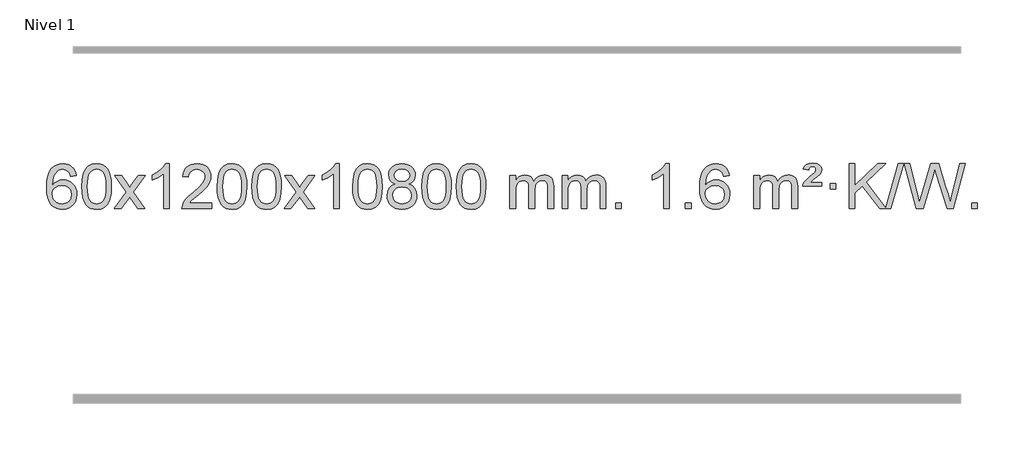
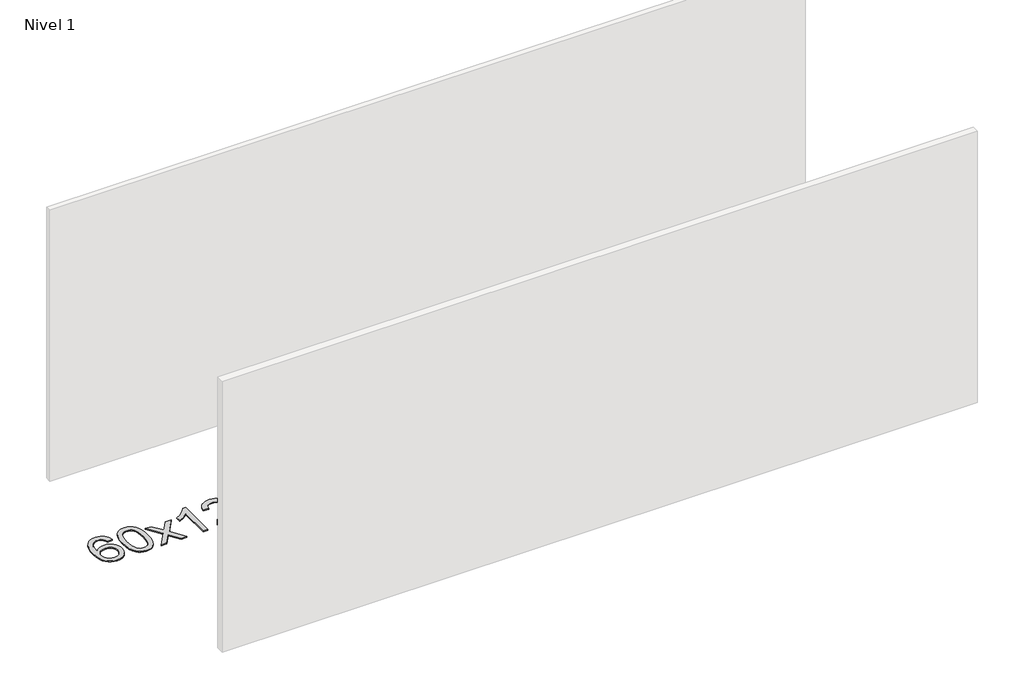
# One storey, part 8 of 8: 1 proxy.
"""IFC4 building model written with IfcOpenShell, lengths in millimetres."""

from ifc_helpers import new_model, si_unit, origin, origin_with_axes, place, context, project, spatial, polyline, outline, extrude, element, save

model = new_model("IFC4")

# Units and contexts
model_context = context("Model", 3, world=origin())
ifc_project = project(units=[si_unit("LENGTHUNIT", "METRE", prefix="MILLI")], contexts=[model_context])

# Site, building, storey
site = spatial("IfcSite", under=ifc_project)
building = spatial("IfcBuilding", under=site)
storey = spatial("IfcBuildingStorey", under=building, Name="Nivel 1", Elevation=0.0)

# Proxy
placement = place(None, origin())
element("IfcBuildingElementProxy", 1, Name="Texto de modelo 1", ObjectType="Texto de modelo 1", at=placement, inside=storey, context=model_context, shape_type="SweptSolid", body=[
    extrude(outline(polyline([(-206.3978655, -3100.4890419), (-256.6260206, -3106.7675613), (-264.7194245, -3081.874213), (-275.6577825, -3064.8780648), (-298.4419407, -3049.2062918), (-325.9840394, -3043.9823675), (-349.3322834, -3047.0235253), (-371.3071012, -3056.1469988), (-390.1794476, -3075.3627017), (-405.5937032, -3101.8134171), (-416.0047637, -3139.227016), (-419.8675246, -3191.3313693), (-399.719854, -3167.8237098), (-375.5745324, -3151.2567573), (-348.7804604, -3141.434308), (-320.6865387, -3138.1601582), (-296.5534798, -3140.398107), (-274.2843564, -3147.1119534), (-253.8791684, -3158.3016975), (-235.3379158, -3173.9673391), (-219.9297916, -3193.1769106), (-208.9239886, -3214.9984443), (-202.3205068, -3239.4319401), (-200.1193462, -3266.4773982), (-204.26415, -3302.4439945), (-216.6985614, -3335.786366), (-236.3925109, -3364.0642287), (-262.3159288, -3384.8372987), (-293.2915928, -3397.602804), (-328.1422805, -3401.8579724), (-358.0848092, -3399.0375437), (-385.1272015, -3390.5762579), (-409.2694575, -3376.4741147), (-430.511577, -3356.7311143), (-447.8296219, -3330.5133908), (-460.199654, -3296.9870783), (-467.6216733, -3256.1521768), (-470.0956797, -3208.0086864), (-467.3488274, -3154.0342663), (-459.1082708, -3107.9693092), (-445.3740096, -3069.8138149), (-426.146044, -3039.5677835), (-405.305529, -3019.5243462), (-381.1418132, -3005.2076052), (-353.6548968, -2996.6175606), (-322.8447797, -2993.7542124), (-299.7111336, -2995.5261773), (-278.7725167, -3000.8420722), (-260.0289291, -3009.7018969), (-243.4803707, -3022.1056515), (-229.5744312, -3037.6364031), (-218.7587006, -3055.8772186), (-211.0331787, -3076.8280983), (-206.3978655, -3100.4890419)]), holes=[polyline([(-419.8675246, -3265.6925832), (-416.9612568, -3287.9494439), (-408.2424536, -3309.2007605), (-394.7043961, -3327.472233), (-377.340366, -3340.7895612), (-356.383355, -3348.9197533), (-332.0663551, -3351.6298173), (-298.9201873, -3346.0134855), (-285.0050509, -3338.9930708), (-272.8618793, -3329.1644901), (-263.0118389, -3316.9262824), (-255.9760958, -3302.6769865), (-250.3475012, -3268.1451299), (-255.9025194, -3234.9989621), (-262.846292, -3221.3781312), (-272.5675737, -3209.725469), (-284.7475335, -3200.3904634), (-299.0673401, -3193.7226022), (-334.1264943, -3188.3883133), (-367.2236111, -3193.7226022), (-394.9005999, -3209.725469), (-405.8236294, -3221.2248471), (-413.6257934, -3234.3858254), (-418.3070918, -3249.2084042), (-419.8675246, -3265.6925832)])]), origin_with_axes(), (0.0, 0.0, 1.0), 10.0),
    extrude(outline(polyline([(-156.1697105, -3197.9041943), (-152.4786278, -3133.5861588), (-141.4053797, -3082.2911459), (-123.0603309, -3043.2343407), (-111.2022679, -3028.0009605), (-97.5538459, -3015.6309284), (-82.0690796, -3006.0598651), (-64.7019837, -2999.2233914), (-24.3208034, -2993.7542124), (6.6303351, -2996.991574), (34.3441121, -3006.7036586), (57.5206778, -3022.5103217), (74.8601825, -3044.0314184), (87.9567815, -3071.0830078), (98.4046302, -3103.4811488), (105.2472353, -3144.6226186), (107.5281037, -3197.9041943), (103.8738092, -3261.8543477), (92.9109257, -3313.0267333), (74.6762415, -3352.1203266), (62.8457697, -3367.3996922), (49.2065447, -3379.8341036), (33.7033843, -3389.4695462), (16.2811061, -3396.3520052), (-24.3208034, -3401.8579724), (-51.9855294, -3399.4667394), (-76.5109958, -3392.2930405), (-97.8972024, -3380.3368757), (-116.1441494, -3363.5982449), (-133.6553324, -3333.3399508), (-146.1633202, -3295.6381776), (-153.6681129, -3250.4929255), (-156.1697105, -3197.9041943)]), holes=[polyline([(-105.9415554, -3197.8060924), (-104.4700274, -3241.4706195), (-100.0554435, -3276.8148822), (-92.6978036, -3303.8388804), (-82.3971077, -3322.5426142), (-69.9381708, -3335.2682656), (-56.1058078, -3344.3580165), (-40.9000186, -3349.8118671), (-24.3208034, -3351.6298173), (-7.7415881, -3349.8057357), (7.464201, -3344.3334911), (21.296564, -3335.2130833), (33.7555009, -3322.4445124), (44.0561968, -3303.7101217), (51.4138367, -3276.6922549), (55.8284206, -3241.3909118), (57.2999486, -3197.8060924), (55.8774716, -3155.2973278), (51.6100404, -3120.5753989), (44.4976552, -3093.6403055), (34.5403158, -3074.4920476), (22.2898454, -3061.1440625), (8.2980668, -3051.6097875), (-7.4350198, -3045.8892225), (-24.9094146, -3043.9823675), (-41.4027907, -3045.6623619), (-56.3510624, -3050.7023452), (-69.7542298, -3059.1023175), (-81.6122928, -3070.8622786), (-92.2563452, -3091.708925), (-99.8592397, -3119.8151094), (-104.4209765, -3155.1808319), (-105.9415554, -3197.8060924)])]), origin_with_axes(), (0.0, 0.0, 1.0), 10.0),
    extrude(outline(polyline([(132.6421812, -3395.579453), (239.9656219, -3247.2494325), (138.9207006, -3100.4890419), (199.3514497, -3100.4890419), (248.1080768, -3171.122385), (270.8677095, -3204.4770192), (290.5861845, -3177.2047007), (346.1118403, -3100.4890419), (406.5425894, -3100.4890419), (300.396371, -3247.2494325), (402.6185147, -3395.579453), (342.1877657, -3395.579453), (280.6778961, -3306.4048574), (269.3961816, -3290.1199477), (193.0729303, -3395.579453), (132.6421812, -3395.579453)])), origin_with_axes(), (0.0, 0.0, 1.0), 10.0),
    extrude(outline(polyline([(622.3666932, -3395.579453), (572.1385381, -3395.579453), (572.1385381, -3082.4382987), (551.1692644, -3099.3976587), (524.5591334, -3116.3324932), (471.682228, -3141.6918254), (471.682228, -3094.2105225), (511.1314406, -3072.7507395), (545.3076779, -3047.219729), (572.2489027, -3020.0700378), (589.9930776, -2993.7542124), (622.3666932, -2993.7542124), (622.3666932, -3395.579453)])), origin_with_axes(), (0.0, 0.0, 1.0), 10.0),
    extrude(outline(polyline([(999.0778563, -3345.3512979), (999.0778563, -3395.579453), (735.3800421, -3395.579453), (736.4836881, -3377.8965918), (740.7756447, -3360.9494945), (753.1610052, -3333.8856424), (771.2853248, -3307.6311307), (797.5030484, -3280.1503456), (834.1686206, -3249.4076736), (888.3699012, -3201.2641831), (920.8906695, -3165.7267824), (937.1510537, -3136.884834), (942.5711818, -3108.8277005), (937.4576221, -3083.6768347), (922.1169429, -3062.7688747), (898.535707, -3048.6789943), (868.7004772, -3043.9823675), (837.3691939, -3048.5686297), (813.0276686, -3062.3274163), (797.3191074, -3084.1796068), (791.8867166, -3113.0460807), (741.6585615, -3106.7675613), (745.9781093, -3080.838012), (753.8354555, -3058.1826125), (765.2306003, -3038.8013627), (780.1635437, -3022.6942627), (798.290929, -3010.0329907), (819.2693997, -3000.989225), (843.098956, -2995.5629655), (869.7795977, -2993.7542124), (896.6993627, -2995.7653006), (920.6576776, -3001.7985654), (941.6545425, -3011.8540066), (959.6899573, -3025.9316242), (974.1753109, -3042.9890861), (984.521992, -3061.9840598), (990.7300007, -3082.9165453), (992.7993369, -3105.7865427), (990.5675194, -3129.8092369), (983.8720671, -3153.4149983), (971.9894787, -3177.4254299), (954.1962528, -3202.6621347), (925.832551, -3232.7916701), (882.2385346, -3271.4805933), (824.4565359, -3319.795762), (801.795005, -3345.3512979), (999.0778563, -3345.3512979)])), origin_with_axes(), (0.0, 0.0, 1.0), 10.0),
    extrude(outline(polyline([(1049.3060113, -3197.9041943), (1052.997094, -3133.5861588), (1064.0703421, -3082.2911459), (1082.4153909, -3043.2343407), (1094.2734539, -3028.0009605), (1107.9218759, -3015.6309284), (1123.4066422, -3006.0598651), (1140.7737381, -2999.2233914), (1181.1549184, -2993.7542124), (1212.1060569, -2996.991574), (1239.8198339, -3006.7036586), (1262.9963996, -3022.5103217), (1280.3359043, -3044.0314184), (1293.4325033, -3071.0830078), (1303.880352, -3103.4811488), (1310.7229571, -3144.6226186), (1313.0038255, -3197.9041943), (1309.349531, -3261.8543477), (1298.3866475, -3313.0267333), (1280.1519633, -3352.1203266), (1268.3214915, -3367.3996922), (1254.6822665, -3379.8341036), (1239.1791061, -3389.4695462), (1221.7568279, -3396.3520052), (1181.1549184, -3401.8579724), (1153.4901924, -3399.4667394), (1128.964726, -3392.2930405), (1107.5785194, -3380.3368757), (1089.3315724, -3363.5982449), (1071.8203894, -3333.3399508), (1059.3124016, -3295.6381776), (1051.8076089, -3250.4929255), (1049.3060113, -3197.9041943)]), holes=[polyline([(1099.5341664, -3197.8060924), (1101.0056944, -3241.4706195), (1105.4202783, -3276.8148822), (1112.7779182, -3303.8388804), (1123.0786141, -3322.5426142), (1135.537551, -3335.2682656), (1149.369914, -3344.3580165), (1164.5757032, -3349.8118671), (1181.1549184, -3351.6298173), (1197.7341337, -3349.8057357), (1212.9399228, -3344.3334911), (1226.7722858, -3335.2130833), (1239.2312227, -3322.4445124), (1249.5319186, -3303.7101217), (1256.8895585, -3276.6922549), (1261.3041424, -3241.3909118), (1262.7756704, -3197.8060924), (1261.3531934, -3155.2973278), (1257.0857622, -3120.5753989), (1249.973377, -3093.6403055), (1240.0160376, -3074.4920476), (1227.7655672, -3061.1440625), (1213.7737886, -3051.6097875), (1198.040702, -3045.8892225), (1180.5663072, -3043.9823675), (1164.0729311, -3045.6623619), (1149.1246594, -3050.7023452), (1135.721492, -3059.1023175), (1123.863429, -3070.8622786), (1113.2193766, -3091.708925), (1105.6164821, -3119.8151094), (1101.0547453, -3155.1808319), (1099.5341664, -3197.8060924)])]), origin_with_axes(), (0.0, 0.0, 1.0), 10.0),
    extrude(outline(polyline([(1356.9534612, -3197.9041943), (1360.6445439, -3133.5861588), (1371.7177919, -3082.2911459), (1390.0628407, -3043.2343407), (1401.9209037, -3028.0009605), (1415.5693257, -3015.6309284), (1431.054092, -3006.0598651), (1448.4211879, -2999.2233914), (1488.8023682, -2993.7542124), (1519.7535068, -2996.991574), (1547.4672837, -3006.7036586), (1570.6438494, -3022.5103217), (1587.9833541, -3044.0314184), (1601.0799532, -3071.0830078), (1611.5278018, -3103.4811488), (1618.3704069, -3144.6226186), (1620.6512753, -3197.9041943), (1616.9969808, -3261.8543477), (1606.0340974, -3313.0267333), (1587.7994131, -3352.1203266), (1575.9689413, -3367.3996922), (1562.3297163, -3379.8341036), (1546.8265559, -3389.4695462), (1529.4042778, -3396.3520052), (1488.8023682, -3401.8579724), (1461.1376422, -3399.4667394), (1436.6121759, -3392.2930405), (1415.2259692, -3380.3368757), (1396.9790222, -3363.5982449), (1379.4678393, -3333.3399508), (1366.9598514, -3295.6381776), (1359.4550587, -3250.4929255), (1356.9534612, -3197.9041943)]), holes=[polyline([(1407.1816162, -3197.8060924), (1408.6531442, -3241.4706195), (1413.0677282, -3276.8148822), (1420.4253681, -3303.8388804), (1430.7260639, -3322.5426142), (1443.1850008, -3335.2682656), (1457.0173639, -3344.3580165), (1472.223153, -3349.8118671), (1488.8023682, -3351.6298173), (1505.3815835, -3349.8057357), (1520.5873726, -3344.3334911), (1534.4197356, -3335.2130833), (1546.8786725, -3322.4445124), (1557.1793684, -3303.7101217), (1564.5370083, -3276.6922549), (1568.9515923, -3241.3909118), (1570.4231202, -3197.8060924), (1569.0006432, -3155.2973278), (1564.733212, -3120.5753989), (1557.6208268, -3093.6403055), (1547.6634875, -3074.4920476), (1535.413017, -3061.1440625), (1521.4212385, -3051.6097875), (1505.6881518, -3045.8892225), (1488.213757, -3043.9823675), (1471.7203809, -3045.6623619), (1456.7721092, -3050.7023452), (1443.3689418, -3059.1023175), (1431.5108789, -3070.8622786), (1420.8668265, -3091.708925), (1413.2639319, -3119.8151094), (1408.7021952, -3155.1808319), (1407.1816162, -3197.8060924)])]), origin_with_axes(), (0.0, 0.0, 1.0), 10.0),
    extrude(outline(polyline([(1645.7653528, -3395.579453), (1753.0887936, -3247.2494325), (1652.0438722, -3100.4890419), (1712.4746213, -3100.4890419), (1761.2312484, -3171.122385), (1783.9908812, -3204.4770192), (1803.7093561, -3177.2047007), (1859.2350119, -3100.4890419), (1919.665761, -3100.4890419), (1813.5195426, -3247.2494325), (1915.7416864, -3395.579453), (1855.3109373, -3395.579453), (1793.8010677, -3306.4048574), (1782.5193532, -3290.1199477), (1706.1961019, -3395.579453), (1645.7653528, -3395.579453)])), origin_with_axes(), (0.0, 0.0, 1.0), 10.0),
    extrude(outline(polyline([(2135.4898648, -3395.579453), (2085.2617098, -3395.579453), (2085.2617098, -3082.4382987), (2064.292436, -3099.3976587), (2037.682305, -3116.3324932), (1984.8053996, -3141.6918254), (1984.8053996, -3094.2105225), (2024.2546122, -3072.7507395), (2058.4308496, -3047.219729), (2085.3720743, -3020.0700378), (2103.1162492, -2993.7542124), (2135.4898648, -2993.7542124), (2135.4898648, -3395.579453)])), origin_with_axes(), (0.0, 0.0, 1.0), 10.0),
    extrude(outline(polyline([(2254.7817331, -3197.9041943), (2258.4728158, -3133.5861588), (2269.5460639, -3082.2911459), (2287.8911127, -3043.2343407), (2299.7491757, -3028.0009605), (2313.3975977, -3015.6309284), (2328.882364, -3006.0598651), (2346.2494599, -2999.2233914), (2386.6306402, -2993.7542124), (2417.5817787, -2996.991574), (2445.2955557, -3006.7036586), (2468.4721214, -3022.5103217), (2485.8116261, -3044.0314184), (2498.9082251, -3071.0830078), (2509.3560738, -3103.4811488), (2516.1986789, -3144.6226186), (2518.4795473, -3197.9041943), (2514.8252528, -3261.8543477), (2503.8623693, -3313.0267333), (2485.6276851, -3352.1203266), (2473.7972133, -3367.3996922), (2460.1579883, -3379.8341036), (2444.6548279, -3389.4695462), (2427.2325497, -3396.3520052), (2386.6306402, -3401.8579724), (2358.9659142, -3399.4667394), (2334.4404478, -3392.2930405), (2313.0542412, -3380.3368757), (2294.8072942, -3363.5982449), (2277.2961112, -3333.3399508), (2264.7881234, -3295.6381776), (2257.2833307, -3250.4929255), (2254.7817331, -3197.9041943)]), holes=[polyline([(2305.0098882, -3197.8060924), (2306.4814162, -3241.4706195), (2310.8960001, -3276.8148822), (2318.25364, -3303.8388804), (2328.5543359, -3322.5426142), (2341.0132728, -3335.2682656), (2354.8456358, -3344.3580165), (2370.0514249, -3349.8118671), (2386.6306402, -3351.6298173), (2403.2098554, -3349.8057357), (2418.4156446, -3344.3334911), (2432.2480076, -3335.2130833), (2444.7069445, -3322.4445124), (2455.0076404, -3303.7101217), (2462.3652803, -3276.6922549), (2466.7798642, -3241.3909118), (2468.2513922, -3197.8060924), (2466.8289151, -3155.2973278), (2462.561484, -3120.5753989), (2455.4490988, -3093.6403055), (2445.4917594, -3074.4920476), (2433.241289, -3061.1440625), (2419.2495104, -3051.6097875), (2403.5164238, -3045.8892225), (2386.042029, -3043.9823675), (2369.5486529, -3045.6623619), (2354.6003812, -3050.7023452), (2341.1972138, -3059.1023175), (2329.3391508, -3070.8622786), (2318.6950984, -3091.708925), (2311.0922039, -3119.8151094), (2306.5304671, -3155.1808319), (2305.0098882, -3197.8060924)])]), origin_with_axes(), (0.0, 0.0, 1.0), 10.0),
    extrude(outline(polyline([(2635.6131745, -3174.2616447), (2608.7210007, -3161.0178929), (2589.8486543, -3143.0652515), (2578.7018299, -3120.7716026), (2574.9862217, -3094.5048281), (2577.0095727, -3074.0199324), (2583.0796256, -3055.2395565), (2593.1963805, -3038.1637006), (2607.3598373, -3022.7923645), (2624.8894144, -3010.088173), (2645.10453, -3001.0137504), (2668.0051842, -2995.5690969), (2693.591377, -2993.7542124), (2719.3001971, -2995.6120165), (2742.3725295, -3001.1854287), (2762.8083744, -3010.4744491), (2780.6077316, -3023.4790776), (2795.0287058, -3039.1508506), (2805.3294016, -3056.4413044), (2811.5098192, -3075.3504389), (2813.5699583, -3095.8782543), (2809.9034011, -3121.2989001), (2798.9037295, -3143.2124043), (2780.448316, -3161.0546811), (2754.4145335, -3174.2616447), (2785.3288838, -3190.1909351), (2807.8309992, -3213.6495436), (2821.5529976, -3243.5092989), (2826.1269971, -3278.6420295), (2823.8583915, -3303.6947933), (2817.0525746, -3326.6628926), (2805.7095464, -3347.5463272), (2789.8293069, -3366.3450971), (2770.245722, -3381.88198), (2747.7926576, -3392.9797536), (2722.4701136, -3399.6384177), (2694.27809, -3401.8579724), (2666.0860665, -3399.6292206), (2640.7635225, -3392.9429654), (2618.310458, -3381.7992066), (2598.7268732, -3366.1979443), (2582.8466337, -3347.26735), (2571.5036055, -3326.135595), (2564.6977886, -3302.8026795), (2562.429183, -3277.2686033), (2567.1871234, -3240.7747094), (2581.4609448, -3210.7555386), (2604.5148832, -3188.2411605), (2635.6131745, -3174.2616447)]), holes=[polyline([(2625.2143768, -3095.9763561), (2629.6657489, -3117.902123), (2643.0198654, -3135.413306), (2664.8843186, -3146.8912243), (2694.8667012, -3150.717197), (2724.150108, -3146.9157497), (2745.6834675, -3135.5114079), (2758.9272193, -3118.5888361), (2763.3418033, -3098.232699), (2758.7800665, -3077.1040098), (2745.0948563, -3059.629615), (2723.2671913, -3047.8941794), (2694.27809, -3043.9823675), (2665.1050478, -3047.8083402), (2643.314171, -3059.2862585), (2629.7393253, -3076.1107284), (2625.2143768, -3095.9763561)]), polyline([(2612.657338, -3275.5027698), (2614.7542654, -3294.7184726), (2621.0450475, -3313.3210389), (2632.6578558, -3329.5446349), (2650.7208618, -3341.623427), (2672.3523231, -3349.1282197), (2694.6704975, -3351.6298173), (2728.8589976, -3346.3691048), (2742.7526743, -3339.7932141), (2754.5126354, -3330.5869672), (2770.5522904, -3306.6869002), (2775.898842, -3277.0723996), (2770.3806121, -3246.9551269), (2753.8259223, -3222.5277625), (2741.7471301, -3213.0854579), (2727.5836733, -3206.3409547), (2693.0027658, -3200.9453521), (2659.2925123, -3206.2673783), (2645.5551855, -3212.919911), (2633.8963919, -3222.2334569), (2617.9671015, -3246.1948375), (2612.657338, -3275.5027698)])]), origin_with_axes(), (0.0, 0.0, 1.0), 10.0),
    extrude(outline(polyline([(2870.0766328, -3197.9041943), (2873.7677155, -3133.5861588), (2884.8409635, -3082.2911459), (2903.1860124, -3043.2343407), (2915.0440753, -3028.0009605), (2928.6924974, -3015.6309284), (2944.1772637, -3006.0598651), (2961.5443595, -2999.2233914), (3001.9255399, -2993.7542124), (3032.8766784, -2996.991574), (3060.5904554, -3006.7036586), (3083.7670211, -3022.5103217), (3101.1065258, -3044.0314184), (3114.2031248, -3071.0830078), (3124.6509735, -3103.4811488), (3131.4935786, -3144.6226186), (3133.7744469, -3197.9041943), (3130.1201525, -3261.8543477), (3119.157269, -3313.0267333), (3100.9225848, -3352.1203266), (3089.0921129, -3367.3996922), (3075.452888, -3379.8341036), (3059.9497276, -3389.4695462), (3042.5274494, -3396.3520052), (3001.9255399, -3401.8579724), (2974.2608138, -3399.4667394), (2949.7353475, -3392.2930405), (2928.3491408, -3380.3368757), (2910.1021939, -3363.5982449), (2892.5910109, -3333.3399508), (2880.0830231, -3295.6381776), (2872.5782304, -3250.4929255), (2870.0766328, -3197.9041943)]), holes=[polyline([(2920.3047879, -3197.8060924), (2921.7763158, -3241.4706195), (2926.1908998, -3276.8148822), (2933.5485397, -3303.8388804), (2943.8492356, -3322.5426142), (2956.3081725, -3335.2682656), (2970.1405355, -3344.3580165), (2985.3463246, -3349.8118671), (3001.9255399, -3351.6298173), (3018.5047551, -3349.8057357), (3033.7105442, -3344.3334911), (3047.5429073, -3335.2130833), (3060.0018442, -3322.4445124), (3070.30254, -3303.7101217), (3077.6601799, -3276.6922549), (3082.0747639, -3241.3909118), (3083.5462919, -3197.8060924), (3082.1238148, -3155.2973278), (3077.8563837, -3120.5753989), (3070.7439984, -3093.6403055), (3060.7866591, -3074.4920476), (3048.5361887, -3061.1440625), (3034.5444101, -3051.6097875), (3018.8113234, -3045.8892225), (3001.3369287, -3043.9823675), (2984.8435526, -3045.6623619), (2969.8952808, -3050.7023452), (2956.4921135, -3059.1023175), (2944.6340505, -3070.8622786), (2933.9899981, -3091.708925), (2926.3871035, -3119.8151094), (2921.8253668, -3155.1808319), (2920.3047879, -3197.8060924)])]), origin_with_axes(), (0.0, 0.0, 1.0), 10.0),
    extrude(outline(polyline([(3177.7240826, -3197.9041943), (3181.4151653, -3133.5861588), (3192.4884134, -3082.2911459), (3210.8334622, -3043.2343407), (3222.6915252, -3028.0009605), (3236.3399472, -3015.6309284), (3251.8247135, -3006.0598651), (3269.1918094, -2999.2233914), (3309.5729897, -2993.7542124), (3340.5241282, -2996.991574), (3368.2379052, -3006.7036586), (3391.4144709, -3022.5103217), (3408.7539756, -3044.0314184), (3421.8505746, -3071.0830078), (3432.2984233, -3103.4811488), (3439.1410284, -3144.6226186), (3441.4218968, -3197.9041943), (3437.7676023, -3261.8543477), (3426.8047188, -3313.0267333), (3408.5700346, -3352.1203266), (3396.7395628, -3367.3996922), (3383.1003378, -3379.8341036), (3367.5971774, -3389.4695462), (3350.1748992, -3396.3520052), (3309.5729897, -3401.8579724), (3281.9082637, -3399.4667394), (3257.3827973, -3392.2930405), (3235.9965907, -3380.3368757), (3217.7496437, -3363.5982449), (3200.2384607, -3333.3399508), (3187.7304729, -3295.6381776), (3180.2256802, -3250.4929255), (3177.7240826, -3197.9041943)]), holes=[polyline([(3227.9522377, -3197.8060924), (3229.4237657, -3241.4706195), (3233.8383496, -3276.8148822), (3241.1959895, -3303.8388804), (3251.4966854, -3322.5426142), (3263.9556223, -3335.2682656), (3277.7879853, -3344.3580165), (3292.9937744, -3349.8118671), (3309.5729897, -3351.6298173), (3326.1522049, -3349.8057357), (3341.3579941, -3344.3334911), (3355.1903571, -3335.2130833), (3367.649294, -3322.4445124), (3377.9499899, -3303.7101217), (3385.3076298, -3276.6922549), (3389.7222137, -3241.3909118), (3391.1937417, -3197.8060924), (3389.7712646, -3155.2973278), (3385.5038335, -3120.5753989), (3378.3914483, -3093.6403055), (3368.4341089, -3074.4920476), (3356.1836385, -3061.1440625), (3342.1918599, -3051.6097875), (3326.4587733, -3045.8892225), (3308.9843785, -3043.9823675), (3292.4910024, -3045.6623619), (3277.5427307, -3050.7023452), (3264.1395633, -3059.1023175), (3252.2815003, -3070.8622786), (3241.6374479, -3091.708925), (3234.0345534, -3119.8151094), (3229.4728166, -3155.1808319), (3227.9522377, -3197.8060924)])]), origin_with_axes(), (0.0, 0.0, 1.0), 10.0),
    extrude(outline(polyline([(3654.8915558, -3395.579453), (3654.8915558, -3100.4890419), (3705.1197109, -3100.4890419), (3705.1197109, -3149.0494653), (3720.2273982, -3126.7435537), (3739.6515675, -3109.2691589), (3762.7300314, -3097.9751816), (3788.8006021, -3094.2105225), (3816.7351082, -3098.048758), (3839.126859, -3109.5634645), (3855.8532271, -3127.9943524), (3866.7915851, -3152.5811324), (3885.0998457, -3127.0439906), (3905.9832803, -3108.803175), (3929.4418888, -3097.8586857), (3955.4756714, -3094.2105225), (3975.5834881, -3095.7280358), (3993.2326268, -3100.2805755), (4008.4230875, -3107.8681416), (4021.1548702, -3118.4907342), (4031.2195085, -3132.2709806), (4038.4085358, -3149.3315082), (4042.7219522, -3169.6723168), (4044.1597577, -3193.2934066), (4044.1597577, -3395.579453), (3993.9316026, -3395.579453), (3993.9316026, -3214.875817), (3992.7666429, -3189.8230531), (3989.271764, -3172.9372695), (3982.7234645, -3161.3735121), (3972.3982431, -3152.2868268), (3959.1177031, -3146.4007149), (3943.7034475, -3144.4386776), (3916.4924426, -3149.4663982), (3894.3091583, -3164.54956), (3885.7037853, -3176.1194488), (3879.5570903, -3190.7182326), (3874.6397343, -3229.0024856), (3874.6397343, -3395.579453), (3824.4115792, -3395.579453), (3824.4115792, -3209.2840106), (3821.5053115, -3180.8835206), (3812.7865082, -3160.6254854), (3797.445829, -3148.4853796), (3774.6739335, -3144.4386776), (3755.3233405, -3147.1364789), (3737.4933265, -3155.2298828), (3722.7780467, -3168.5226856), (3712.7716564, -3186.8186835), (3707.0326973, -3212.2025411), (3705.1197109, -3246.7589232), (3705.1197109, -3395.579453), (3654.8915558, -3395.579453)])), origin_with_axes(), (0.0, 0.0, 1.0), 10.0),
    extrude(outline(polyline([(4119.5019903, -3395.579453), (4119.5019903, -3100.4890419), (4169.7301454, -3100.4890419), (4169.7301454, -3149.0494653), (4184.8378326, -3126.7435537), (4204.262002, -3109.2691589), (4227.3404658, -3097.9751816), (4253.4110365, -3094.2105225), (4281.3455427, -3098.048758), (4303.7372935, -3109.5634645), (4320.4636615, -3127.9943524), (4331.4020195, -3152.5811324), (4349.7102801, -3127.0439906), (4370.5937147, -3108.803175), (4394.0523233, -3097.8586857), (4420.0861058, -3094.2105225), (4440.1939225, -3095.7280358), (4457.8430612, -3100.2805755), (4473.033522, -3107.8681416), (4485.7653047, -3118.4907342), (4495.8299429, -3132.2709806), (4503.0189703, -3149.3315082), (4507.3323866, -3169.6723168), (4508.7701921, -3193.2934066), (4508.7701921, -3395.579453), (4458.542037, -3395.579453), (4458.542037, -3214.875817), (4457.3770774, -3189.8230531), (4453.8821984, -3172.9372695), (4447.3338989, -3161.3735121), (4437.0086776, -3152.2868268), (4423.7281376, -3146.4007149), (4408.313882, -3144.4386776), (4381.1028771, -3149.4663982), (4358.9195927, -3164.54956), (4350.3142197, -3176.1194488), (4344.1675247, -3190.7182326), (4339.2501687, -3229.0024856), (4339.2501687, -3395.579453), (4289.0220137, -3395.579453), (4289.0220137, -3209.2840106), (4286.1157459, -3180.8835206), (4277.3969426, -3160.6254854), (4262.0562634, -3148.4853796), (4239.2843679, -3144.4386776), (4219.933775, -3147.1364789), (4202.1037609, -3155.2298828), (4187.3884811, -3168.5226856), (4177.3820909, -3186.8186835), (4171.6431317, -3212.2025411), (4169.7301454, -3246.7589232), (4169.7301454, -3395.579453), (4119.5019903, -3395.579453)])), origin_with_axes(), (0.0, 0.0, 1.0), 10.0),
    extrude(outline(polyline([(4596.6694635, -3395.579453), (4596.6694635, -3345.3512979), (4646.8976186, -3345.3512979), (4646.8976186, -3395.579453), (4596.6694635, -3395.579453)])), origin_with_axes(), (0.0, 0.0, 1.0), 10.0),
    extrude(outline(polyline([(5073.8369367, -3395.579453), (5023.6087816, -3395.579453), (5023.6087816, -3082.4382987), (5002.6395079, -3099.3976587), (4976.0293769, -3116.3324932), (4923.1524715, -3141.6918254), (4923.1524715, -3094.2105225), (4962.6016841, -3072.7507395), (4996.7779214, -3047.219729), (5023.7191462, -3020.0700378), (5041.4633211, -2993.7542124), (5073.8369367, -2993.7542124), (5073.8369367, -3395.579453)])), origin_with_axes(), (0.0, 0.0, 1.0), 10.0),
    extrude(outline(polyline([(5218.2428825, -3395.579453), (5218.2428825, -3345.3512979), (5268.4710376, -3345.3512979), (5268.4710376, -3395.579453), (5218.2428825, -3395.579453)])), origin_with_axes(), (0.0, 0.0, 1.0), 10.0),
    extrude(outline(polyline([(5607.5110844, -3100.4890419), (5557.2829293, -3106.7675613), (5549.1895254, -3081.874213), (5538.2511674, -3064.8780648), (5515.4670092, -3049.2062918), (5487.9249105, -3043.9823675), (5464.5766665, -3047.0235253), (5442.6018487, -3056.1469988), (5423.7295023, -3075.3627017), (5408.3152467, -3101.8134171), (5397.9041863, -3139.227016), (5394.0414253, -3191.3313693), (5414.1890959, -3167.8237098), (5438.3344175, -3151.2567573), (5465.1284895, -3141.434308), (5493.2224112, -3138.1601582), (5517.3554701, -3140.398107), (5539.6245935, -3147.1119534), (5560.0297815, -3158.3016975), (5578.5710341, -3173.9673391), (5593.9791583, -3193.1769106), (5604.9849613, -3214.9984443), (5611.5884432, -3239.4319401), (5613.7896038, -3266.4773982), (5609.6447999, -3302.4439945), (5597.2103885, -3335.786366), (5577.516439, -3364.0642287), (5551.5930211, -3384.8372987), (5520.6173571, -3397.602804), (5485.7666694, -3401.8579724), (5455.8241407, -3399.0375437), (5428.7817484, -3390.5762579), (5404.6394924, -3376.4741147), (5383.3973729, -3356.7311143), (5366.079328, -3330.5133908), (5353.7092959, -3296.9870783), (5346.2872766, -3256.1521768), (5343.8132702, -3208.0086864), (5346.5601225, -3154.0342663), (5354.8006792, -3107.9693092), (5368.5349403, -3069.8138149), (5387.7629059, -3039.5677835), (5408.6034209, -3019.5243462), (5432.7671367, -3005.2076052), (5460.2540531, -2996.6175606), (5491.0641702, -2993.7542124), (5514.1978163, -2995.5261773), (5535.1364332, -3000.8420722), (5553.8800208, -3009.7018969), (5570.4285793, -3022.1056515), (5584.3345187, -3037.6364031), (5595.1502493, -3055.8772186), (5602.8757712, -3076.8280983), (5607.5110844, -3100.4890419)]), holes=[polyline([(5394.0414253, -3265.6925832), (5396.9476931, -3287.9494439), (5405.6664964, -3309.2007605), (5419.2045538, -3327.472233), (5436.5685839, -3340.7895612), (5457.5255949, -3348.9197533), (5481.8425948, -3351.6298173), (5514.9887626, -3346.0134855), (5528.9038991, -3338.9930708), (5541.0470706, -3329.1644901), (5550.897111, -3316.9262824), (5557.9328542, -3302.6769865), (5563.5614487, -3268.1451299), (5558.0064306, -3234.9989621), (5551.0626579, -3221.3781312), (5541.3413762, -3209.725469), (5529.1614164, -3200.3904634), (5514.8416098, -3193.7226022), (5479.7824556, -3188.3883133), (5446.6853388, -3193.7226022), (5419.00835, -3209.725469), (5408.0853205, -3221.2248471), (5400.2831565, -3234.3858254), (5395.6018581, -3249.2084042), (5394.0414253, -3265.6925832)])]), origin_with_axes(), (0.0, 0.0, 1.0), 10.0),
    extrude(outline(polyline([(5827.2592628, -3395.579453), (5827.2592628, -3100.4890419), (5877.4874179, -3100.4890419), (5877.4874179, -3149.0494653), (5892.5951052, -3126.7435537), (5912.0192745, -3109.2691589), (5935.0977383, -3097.9751816), (5961.1683091, -3094.2105225), (5989.1028152, -3098.048758), (6011.494566, -3109.5634645), (6028.2209341, -3127.9943524), (6039.159292, -3152.5811324), (6057.4675527, -3127.0439906), (6078.3509873, -3108.803175), (6101.8095958, -3097.8586857), (6127.8433783, -3094.2105225), (6147.9511951, -3095.7280358), (6165.6003338, -3100.2805755), (6180.7907945, -3107.8681416), (6193.5225772, -3118.4907342), (6203.5872155, -3132.2709806), (6210.7762428, -3149.3315082), (6215.0896592, -3169.6723168), (6216.5274647, -3193.2934066), (6216.5274647, -3395.579453), (6166.2993096, -3395.579453), (6166.2993096, -3214.875817), (6165.1343499, -3189.8230531), (6161.639471, -3172.9372695), (6155.0911715, -3161.3735121), (6144.7659501, -3152.2868268), (6131.4854101, -3146.4007149), (6116.0711545, -3144.4386776), (6088.8601496, -3149.4663982), (6066.6768653, -3164.54956), (6058.0714923, -3176.1194488), (6051.9247973, -3190.7182326), (6047.0074413, -3229.0024856), (6047.0074413, -3395.579453), (5996.7792862, -3395.579453), (5996.7792862, -3209.2840106), (5993.8730184, -3180.8835206), (5985.1542152, -3160.6254854), (5969.813536, -3148.4853796), (5947.0416405, -3144.4386776), (5927.6910475, -3147.1364789), (5909.8610335, -3155.2298828), (5895.1457537, -3168.5226856), (5885.1393634, -3186.8186835), (5879.4004043, -3212.2025411), (5877.4874179, -3246.7589232), (5877.4874179, -3395.579453), (5827.2592628, -3395.579453)])), origin_with_axes(), (0.0, 0.0, 1.0), 10.0),
    extrude(outline(polyline([(6260.4771003, -3194.6668327), (6264.3030731, -3178.8479069), (6272.6417317, -3162.9799302), (6294.1505656, -3137.8413272), (6326.1072483, -3110.1030247), (6370.2530877, -3072.726214), (6377.3899984, -3061.1992448), (6379.7689686, -3049.3779701), (6377.8805077, -3037.2869152), (6372.215125, -3027.5012541), (6362.8463969, -3021.026531), (6349.8478997, -3018.8682899), (6337.4134883, -3020.4869707), (6328.5597949, -3025.343013), (6322.1341227, -3034.8098431), (6316.9837748, -3050.2608869), (6266.7556197, -3043.9823675), (6277.5958759, -3018.7701881), (6294.224142, -3001.2099542), (6317.9893189, -2990.9092583), (6350.2403072, -2987.475693), (6386.0229626, -2991.6082341), (6410.7691581, -3004.0058573), (6425.1901323, -3022.3386434), (6429.9971237, -3044.2766731), (6425.9013708, -3067.1834586), (6413.6141122, -3088.8149199), (6393.0862969, -3108.6314968), (6356.6169284, -3136.6886303), (6331.0123416, -3163.2742358), (6429.9971237, -3163.2742358), (6429.9971237, -3194.6668327), (6260.4771003, -3194.6668327)])), origin_with_axes(), (0.0, 0.0, 1.0), 10.0),
    extrude(outline(polyline([(6505.3393563, -3219.7809102), (6505.3393563, -3169.5527552), (6555.5675114, -3169.5527552), (6555.5675114, -3219.7809102), (6505.3393563, -3219.7809102)])), origin_with_axes(), (0.0, 0.0, 1.0), 10.0),
    extrude(outline(polyline([(6946.2091394, -3395.579453), (6792.7778219, -3192.9009991), (6725.0875348, -3257.4520265), (6725.0875348, -3395.579453), (6674.8593797, -3395.579453), (6674.8593797, -2993.7542124), (6725.0875348, -2993.7542124), (6725.0875348, -3190.4484525), (6931.1014521, -2993.7542124), (7001.3423877, -2993.7542124), (6828.388799, -3158.9577537), (7003.0424089, -3389.5349332), (7114.3557366, -2993.7542124), (7159.6787984, -2993.7542124), (7046.6654495, -3395.579453), (7007.6209071, -3395.579453), (7001.3423877, -3395.579453), (6946.2091394, -3395.579453)])), origin_with_axes(), (0.0, 0.0, 1.0), 10.0),
    extrude(outline(polyline([(7274.1636753, -3395.579453), (7164.5838917, -2993.7542124), (7216.3816766, -2993.7542124), (7279.9516854, -3257.844434), (7299.5720585, -3339.3670841), (7320.5658576, -3267.2622131), (7400.2245723, -2993.7542124), (7474.8800919, -2993.7542124), (7532.7601925, -3192.0180823), (7557.5554389, -3265.5944814), (7575.8269114, -3339.3670841), (7594.8586732, -3260.1988788), (7659.0172932, -2993.7542124), (7710.8150781, -2993.7542124), (7601.1371926, -3395.579453), (7547.4754723, -3395.579453), (7451.1394405, -3085.5775584), (7437.6994849, -3042.3146358), (7422.5917976, -3094.4067263), (7334.7906281, -3395.579453), (7274.1636753, -3395.579453)])), origin_with_axes(), (0.0, 0.0, 1.0), 10.0),
    extrude(outline(polyline([(7767.3217526, -3395.579453), (7767.3217526, -3345.3512979), (7817.5499077, -3345.3512979), (7817.5499077, -3395.579453), (7767.3217526, -3395.579453)])), origin_with_axes(), (0.0, 0.0, 1.0), 10.0),
])

save(model, "model.ifc")
